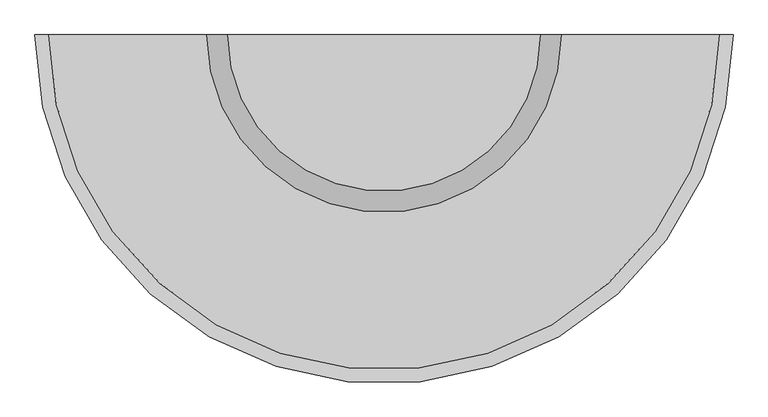
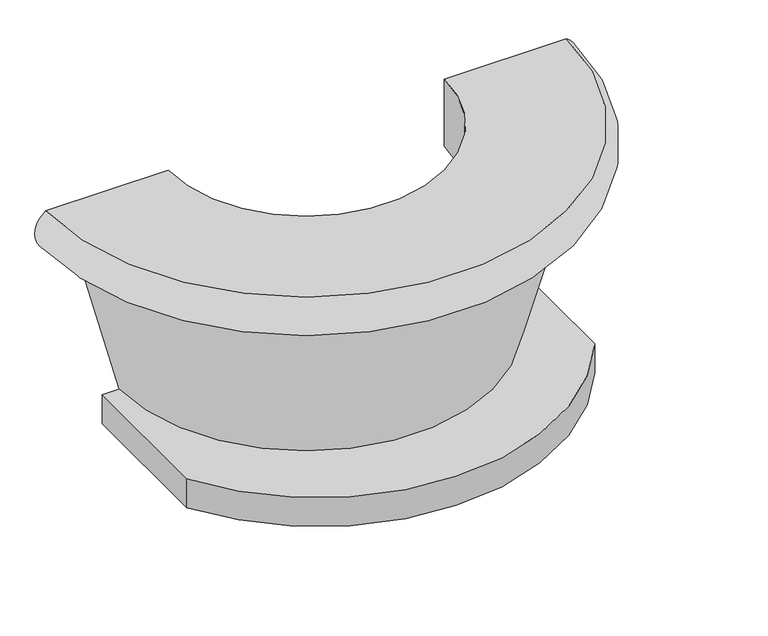
"""IFC4 building model written with IfcOpenShell, lengths in millimetres: furniture geometry."""

from ifc_helpers import new_model, si_unit, point, frame, frame_2d, origin, origin_with_axes, place, context, project, spatial, polyline, circle_curve, ellipse_curve, trimmed, segment, composite_curve, outline, extrude, source, transform, mapped, element, save
from ifc_brep_helpers import plane_surface, revolved_surface, advanced_brep


def furniture_b15b6416(model_context):
    return source(origin(), model_context, "Body", "SolidModel", [
        advanced_brep(
        [(-2063.0802233, 916.717873, 998.6873074), (-2065.0867375, 916.717873, 1200.0), (-1465.0867375, 916.717873, 1200.0), (-1465.0867375, 916.717873, 850.0), (-1585.0867375, 916.717873, 850.0), (-1384.3649675, 916.717873, 150.0), (-1704.3649675, 916.717873, 150.0), (-1933.3848675, 916.717873, 998.6873074), (487.5076117, 916.717873, 998.6873074), (357.8122559, 916.717873, 998.6873074), (128.7923559, 916.717873, 150.0), (-191.2076441, 916.717873, 150.0), (9.5141259, 916.717873, 850.0), (-110.4858741, 916.717873, 850.0), (-110.4858741, 916.717873, 1200.0), (489.5141259, 916.717873, 1200.0)],
        [
            (0, 1, circle_curve(frame((-1998.2325454, 916.717873, 1100.0), z_axis=(0.0, 1.0000000000000002, 0.0), x_axis=(1.0000000000000002, 0.0, 0.0)), 120.2891641)),
            (1, 2),
            (2, 3),
            (3, 4),
            (4, 5),
            (5, 6),
            (6, 7),
            (7, 0),
            (8, 9),
            (9, 10),
            (10, 11),
            (11, 12),
            (12, 13),
            (13, 14),
            (14, 15),
            (15, 8, circle_curve(frame((422.6599338, 916.717873, 1100.0), z_axis=(0.0, 1.0000000000000002, 0.0), x_axis=(-1.0000000000000002, 0.0, 0.0)), 120.2891641)),
            (8, 0, circle_curve(frame((-787.7863058, 916.717873, 998.6873074), z_axis=(0.0, 0.0, -1.0), x_axis=(-1.0000000000000002, 0.0, 0.0)), 1275.2939175)),
            (7, 9, circle_curve(frame((-787.7863058, 916.717873, 998.6873074), z_axis=(0.0, 0.0, 1.0), x_axis=(-1.0000000000000002, 0.0, 0.0)), 1145.5985617)),
            (6, 10, circle_curve(frame((-787.7863058, 916.717873, 150.0), z_axis=(0.0, 0.0, 1.0), x_axis=(-1.0000000000000002, 0.0, 0.0)), 916.5786617)),
            (5, 11, circle_curve(frame((-787.7863058, 916.717873, 150.0), z_axis=(0.0, 0.0, 1.0), x_axis=(-1.0000000000000002, 0.0, 0.0)), 596.5786617)),
            (4, 12, circle_curve(frame((-787.7863058, 916.717873, 850.0), z_axis=(0.0, 0.0, 1.0), x_axis=(-1.0000000000000002, 0.0, 0.0)), 797.3004317)),
            (3, 13, circle_curve(frame((-787.7863058, 916.717873, 850.0), z_axis=(0.0, 0.0, 1.0), x_axis=(-1.0000000000000002, 0.0, 0.0)), 677.3004317)),
            (2, 14, circle_curve(frame((-787.7863058, 916.717873, 1200.0), z_axis=(0.0, 0.0, 1.0), x_axis=(-1.0000000000000002, 0.0, 0.0)), 677.3004317)),
            (1, 15, circle_curve(frame((-787.7863058, 916.717873, 1200.0), z_axis=(0.0, 0.0, 1.0), x_axis=(-1.0000000000000002, 0.0, 0.0)), 1277.3004317)),
        ],
        [
            plane_surface(frame((-787.7863058, 916.717873, 6438.4), z_axis=(0.0, 1.0, 0.0), x_axis=(-1.0, 0.0, 0.0))),
            plane_surface(frame((-787.7863058, 916.717873, 6438.4), z_axis=(0.0, 1.0, 0.0), x_axis=(1.0, 0.0, 0.0))),
            plane_surface(frame((-787.7863058, 916.717873, 998.6873074), z_axis=(0.0, 0.0, -1.0), x_axis=(-1.0, 0.0, 0.0))),
            revolved_surface(polyline([(-1933.3848675, 916.717873, 998.6873074), (-1704.3649675, 916.717873, 150.0)]), (-787.7863058, 916.717873, 6438.4), (0.0, 0.0, -1.0)),
            plane_surface(frame((-787.7863058, 916.717873, 150.0), z_axis=(0.0, 0.0, -1.0), x_axis=(-1.0, 0.0, 0.0))),
            revolved_surface(polyline([(-1384.3649675, 916.717873, 150.0), (-1585.0867375, 916.717873, 850.0)]), (-787.7863058, 916.717873, 6438.4), (0.0, 0.0, -1.0)),
            plane_surface(frame((-787.7863058, 916.717873, 850.0), z_axis=(0.0, 0.0, -1.0), x_axis=(-1.0, 0.0, 0.0))),
            revolved_surface(polyline([(-1465.0867375000003, 916.717873, 850.0), (-1465.0867375000003, 916.717873, 1200.0)]), (-787.7863058, 916.717873, 6438.4), (0.0, 0.0, -1.0)),
            plane_surface(frame((-787.7863058, 916.717873, 1200.0), z_axis=(0.0, 0.0, 1.0), x_axis=(-1.0, 0.0, 0.0))),
            revolved_surface(trimmed(ellipse_curve(frame((-1998.2325454, 916.717873, 1100.0), z_axis=(0.0, -1.0000000000000002, 0.0), x_axis=(1.0000000000000002, 0.0, 0.0)), 120.2891641, 120.2891641), [point((-2065.0867375, 916.717873, 1200.0))], [point((-2063.0802233, 916.717873, 998.6873074))], True, "CARTESIAN"), (-787.7863058, 916.717873, 6438.4), (0.0, 0.0, -1.0)),
        ],
        [
            (0, [[1, 2, 3, 4, 5, 6, 7, 8]]),
            (1, [[9, 10, 11, 12, 13, 14, 15, 16]]),
            (2, [[17, -8, 18, -9]]),
            (3, [[-18, -7, 19, -10]]),
            (4, [[-19, -6, 20, -11]]),
            (5, [[-20, -5, 21, -12]]),
            (6, [[-21, -4, 22, -13]]),
            (7, [[-22, -3, 23, -14]]),
            (8, [[-23, -2, 24, -15]]),
            (9, [[-24, -1, -17, -16]]),
        ],
    ),
        extrude(outline(composite_curve([segment(polyline([(-1787.7863058, 197.5139863), (-1787.7863058, 916.717873), (212.2136942, 916.717873), (212.2136942, 197.5139863)]), True, "CONTINUOUS"), segment(trimmed(circle_curve(frame_2d((-787.7863058, 814.3680526)), 1174.9506113), [point((212.2136942, 197.5139863))], [point((-1787.7863058, 197.5139863))], False, "CARTESIAN"), True, "CONTINUOUS")], self_intersect=False)), origin_with_axes(), (0.0, 0.0, 1.0), 150.0),
    ])


if __name__ == "__main__":
    model = new_model("IFC4")
    model_context = context("Model", 3, world=origin())
    ifc_project = project(units=[si_unit("LENGTHUNIT", "METRE", prefix="MILLI")], contexts=[model_context])
    site = spatial("IfcSite", under=ifc_project)
    building = spatial("IfcBuilding", under=site)
    placement = place(None, origin())
    furniture_shape = furniture_b15b6416(model_context)
    element("IfcFurniture", 1, at=placement, inside=building, context=model_context, shape_type="MappedRepresentation", body=[
        mapped(furniture_shape, transform((0.0, 0.0, 0.0), x_axis=(1.0, 0.0, 0.0), y_axis=(0.0, 1.0, 0.0), z_axis=(0.0, 0.0, 1.0))),
    ])
    save(model, "model.ifc")
